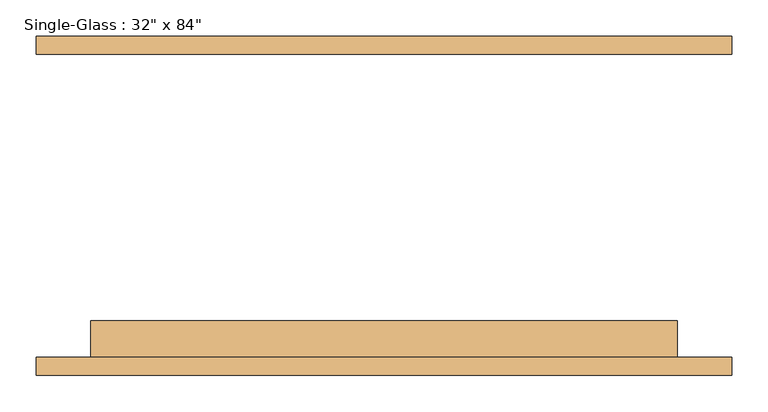
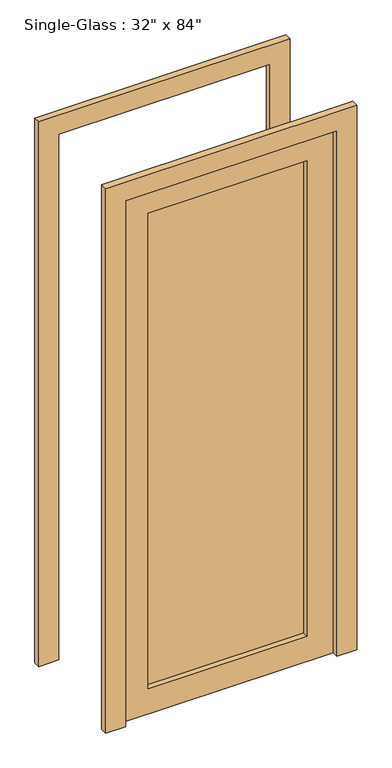
"""IFC4 building model written with IfcOpenShell, lengths in millimetres: door geometry."""

from ifc_helpers import new_model, si_unit, frame, origin, place, context, project, spatial, polyline, outline, extrude, source, transform, mapped, element, save


def door_84b7062b(model_context):
    return source(origin(), model_context, "Body", "SweptSolid", [
        extrude(outline(polyline([(2133.6, 406.4), (0.0, 406.4), (0.0, 482.6), (2209.8, 482.6), (2209.8, -482.6), (0.0, -482.6), (0.0, -406.4), (2133.6, -406.4), (2133.6, 406.4)])), frame((0.0, 210.0, 0.0), z_axis=(0.0, 1.0, 0.0), x_axis=(0.0, 0.0, 1.0)), (0.0, 0.0, 1.0), 25.4),
        extrude(outline(polyline([(2133.6, 406.4), (0.0, 406.4), (0.0, 482.6), (2209.8, 482.6), (2209.8, -482.6), (0.0, -482.6), (0.0, -406.4), (2133.6, -406.4), (2133.6, 406.4)])), frame((0.0, -235.4, 0.0), z_axis=(0.0, 1.0, 0.0), x_axis=(0.0, 0.0, 1.0)), (0.0, 0.0, 1.0), 25.4),
        extrude(outline(polyline([(304.8, -181.425), (304.8, -187.775), (-304.8, -187.775), (-304.8, -181.425), (304.8, -181.425)])), frame((0.0, 0.0, 101.6), z_axis=(0.0, 0.0, 1.0), x_axis=(1.0, 0.0, 0.0)), (0.0, 0.0, 1.0), 1930.4),
        extrude(outline(polyline([(2133.6, 406.4), (2133.6, -406.4), (0.0, -406.4), (0.0, 406.4), (2133.6, 406.4)]), holes=[polyline([(2032.0, -304.8), (2032.0, 304.8), (101.6, 304.8), (101.6, -304.8), (2032.0, -304.8)])]), frame((0.0, -210.0, 0.0), z_axis=(0.0, 1.0, 0.0), x_axis=(0.0, 0.0, 1.0)), (0.0, 0.0, 1.0), 50.8),
    ])


if __name__ == "__main__":
    model = new_model("IFC4")
    model_context = context("Model", 3, world=origin())
    ifc_project = project(units=[si_unit("LENGTHUNIT", "METRE", prefix="MILLI")], contexts=[model_context])
    site = spatial("IfcSite", under=ifc_project)
    building = spatial("IfcBuilding", under=site)
    placement = place(None, origin())
    door_shape = door_84b7062b(model_context)
    element("IfcDoor", 1, ObjectType="Single-Glass : 32\" x 84\"", at=placement, inside=building, context=model_context, shape_type="MappedRepresentation", body=[
        mapped(door_shape, transform((0.0, 0.0, 0.0), x_axis=(1.0, 0.0, 0.0), y_axis=(0.0, 1.0, 0.0), z_axis=(0.0, 0.0, 1.0))),
    ])
    save(model, "model.ifc")
